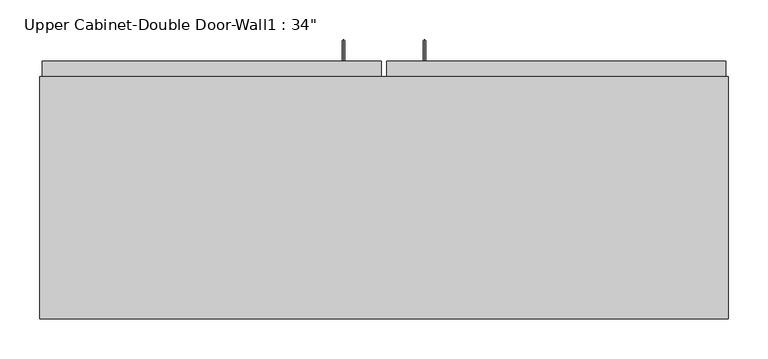
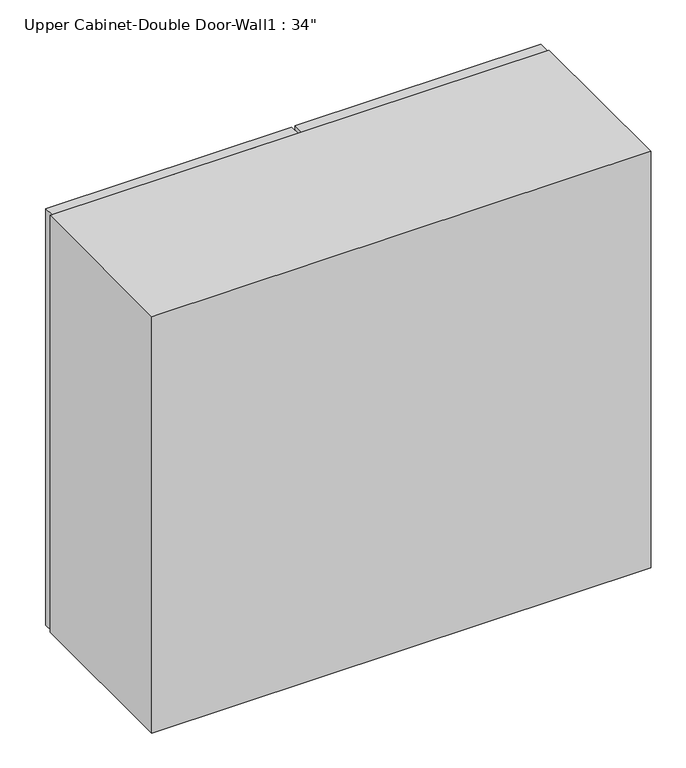
"""IFC4 building model written with IfcOpenShell, lengths in millimetres: furniture geometry."""

from ifc_helpers import new_model, si_unit, frame, origin, place, context, project, spatial, polyline, circle_curve, ellipse_curve, outline, extrude, faceted_brep, source, transform, mapped, element, save
from ifc_brep_helpers import plane_surface, cylinder_surface, advanced_brep


def furniture_9f0e1e1c(model_context):
    return source(origin(), model_context, "Body", "SolidModel", [
        advanced_brep(
        [(80.5132081, 385.7625, 1425.575), (80.5132081, 385.7625, 1422.4), (80.5132081, 409.575, 1425.575), (80.5132081, 412.75, 1422.4), (80.5132081, 409.575, 1597.025), (80.5132081, 412.75, 1600.2), (80.5132081, 385.7625, 1597.025), (80.5132081, 385.7625, 1600.2)],
        [
            (0, 1, circle_curve(frame((80.5132081, 385.7625, 1423.9875), z_axis=(0.0, -1.0, 0.0), x_axis=(0.0, 0.0, -1.0)), 1.5875)),
            (1, 0, circle_curve(frame((80.5132081, 385.7625, 1423.9875), z_axis=(0.0, -1.0, 0.0), x_axis=(0.0, 0.0, -1.0)), 1.5875)),
            (0, 2),
            (2, 3, ellipse_curve(frame((80.5132081, 411.1625, 1423.9875), z_axis=(0.0, -0.7071067811865536, -0.7071067811865416), x_axis=(0.0, -0.7071067811865415, 0.7071067811865536)), 2.245064, 1.5875)),
            (3, 1),
            (3, 2, ellipse_curve(frame((80.5132081, 411.1625, 1423.9875), z_axis=(0.0, -0.7071067811865536, -0.7071067811865416), x_axis=(0.0, -0.7071067811865415, 0.7071067811865536)), 2.245064, 1.5875)),
            (2, 4),
            (4, 5, ellipse_curve(frame((80.5132081, 411.1625, 1598.6125), z_axis=(0.0, 0.7071067811865415, -0.7071067811865535), x_axis=(0.0, -0.7071067811865533, -0.7071067811865418)), 2.245064, 1.5875)),
            (5, 3),
            (5, 4, ellipse_curve(frame((80.5132081, 411.1625, 1598.6125), z_axis=(0.0, 0.7071067811865415, -0.7071067811865535), x_axis=(0.0, -0.7071067811865533, -0.7071067811865418)), 2.245064, 1.5875)),
            (6, 7, circle_curve(frame((80.5132081, 385.7625, 1598.6125), z_axis=(0.0, -1.0, 0.0), x_axis=(0.0, 0.0, 1.0)), 1.5875)),
            (7, 6, circle_curve(frame((80.5132081, 385.7625, 1598.6125), z_axis=(0.0, -1.0, 0.0), x_axis=(0.0, 0.0, 1.0)), 1.5875)),
            (4, 6),
            (7, 5),
        ],
        [
            plane_surface(frame((80.5132081, 385.7625, 1423.9875), z_axis=(0.0, -1.0, 0.0), x_axis=(-1.0, 0.0, 0.0))),
            cylinder_surface(frame((80.5132081, 385.7625, 1423.9875), z_axis=(0.0, -1.0, 0.0), x_axis=(0.0, 0.0, -1.0)), 1.5875),
            cylinder_surface(frame((80.5132081, 411.1625, 1423.9875), z_axis=(0.0, 0.0, -1.0), x_axis=(0.0, 1.0, 0.0)), 1.5875),
            plane_surface(frame((80.5132081, 385.7625, 1598.6125), z_axis=(0.0, -1.0, 0.0), x_axis=(-1.0, 0.0, 0.0))),
            cylinder_surface(frame((80.5132081, 411.1625, 1598.6125), z_axis=(0.0, 1.0, 0.0), x_axis=(0.0, 0.0, 1.0)), 1.5875),
        ],
        [
            (0, [[1, 2]]),
            (1, [[-1, 3, 4, 5]]),
            (1, [[-2, -5, 6, -3]]),
            (2, [[-4, 7, 8, 9]]),
            (2, [[-6, -9, 10, -7]]),
            (3, [[11, 12]]),
            (4, [[-8, 13, -12, 14]]),
            (4, [[-10, -14, -11, -13]]),
        ],
    ),
        advanced_brep(
        [(-21.0867919, 385.7625, 1425.575), (-21.0867919, 385.7625, 1422.4), (-21.0867919, 409.575, 1425.575), (-21.0867919, 412.75, 1422.4), (-21.0867919, 409.575, 1597.025), (-21.0867919, 412.75, 1600.2), (-21.0867919, 385.7625, 1597.025), (-21.0867919, 385.7625, 1600.2)],
        [
            (0, 1, circle_curve(frame((-21.0867919, 385.7625, 1423.9875), z_axis=(0.0, -1.0, 0.0), x_axis=(0.0, 0.0, -1.0)), 1.5875)),
            (1, 0, circle_curve(frame((-21.0867919, 385.7625, 1423.9875), z_axis=(0.0, -1.0, 0.0), x_axis=(0.0, 0.0, -1.0)), 1.5875)),
            (0, 2),
            (2, 3, ellipse_curve(frame((-21.0867919, 411.1625, 1423.9875), z_axis=(0.0, -0.7071067811865536, -0.7071067811865414), x_axis=(0.0, -0.7071067811865416, 0.7071067811865535)), 2.245064, 1.5875)),
            (3, 1),
            (3, 2, ellipse_curve(frame((-21.0867919, 411.1625, 1423.9875), z_axis=(0.0, -0.7071067811865536, -0.7071067811865414), x_axis=(0.0, -0.7071067811865416, 0.7071067811865535)), 2.245064, 1.5875)),
            (2, 4),
            (4, 5, ellipse_curve(frame((-21.0867919, 411.1625, 1598.6125), z_axis=(0.0, 0.7071067811865415, -0.7071067811865535), x_axis=(0.0, -0.7071067811865533, -0.7071067811865416)), 2.245064, 1.5875)),
            (5, 3),
            (5, 4, ellipse_curve(frame((-21.0867919, 411.1625, 1598.6125), z_axis=(0.0, 0.7071067811865415, -0.7071067811865535), x_axis=(0.0, -0.7071067811865533, -0.7071067811865416)), 2.245064, 1.5875)),
            (6, 7, circle_curve(frame((-21.0867919, 385.7625, 1598.6125), z_axis=(0.0, -1.0, 0.0), x_axis=(0.0, 0.0, 1.0)), 1.5875)),
            (7, 6, circle_curve(frame((-21.0867919, 385.7625, 1598.6125), z_axis=(0.0, -1.0, 0.0), x_axis=(0.0, 0.0, 1.0)), 1.5875)),
            (4, 6),
            (7, 5),
        ],
        [
            plane_surface(frame((-21.0867919, 385.7625, 1423.9875), z_axis=(0.0, -1.0, 0.0), x_axis=(-1.0, 0.0, 0.0))),
            cylinder_surface(frame((-21.0867919, 385.7625, 1423.9875), z_axis=(0.0, -1.0, 0.0), x_axis=(0.0, 0.0, -1.0)), 1.5875),
            cylinder_surface(frame((-21.0867919, 411.1625, 1423.9875), z_axis=(0.0, 0.0, -1.0), x_axis=(0.0, 1.0, 0.0)), 1.5875),
            plane_surface(frame((-21.0867919, 385.7625, 1598.6125), z_axis=(0.0, -1.0, 0.0), x_axis=(-1.0, 0.0, 0.0))),
            cylinder_surface(frame((-21.0867919, 411.1625, 1598.6125), z_axis=(0.0, 1.0, 0.0), x_axis=(0.0, 0.0, 1.0)), 1.5875),
        ],
        [
            (0, [[1, 2]]),
            (1, [[-1, 3, 4, 5]]),
            (1, [[-2, -5, 6, -3]]),
            (2, [[-4, 7, 8, 9]]),
            (2, [[-6, -9, 10, -7]]),
            (3, [[11, 12]]),
            (4, [[-8, 13, -12, 14]]),
            (4, [[-10, -14, -11, -13]]),
        ],
    ),
        faceted_brep([(-402.0288372, 61.9125, 2133.6), (-402.0288372, 61.9125, 1371.6), (461.5711628, 61.9125, 1371.6), (461.5711628, 61.9125, 2133.6), (-402.0288372, 366.7125, 2133.6), (461.5711628, 366.7125, 2133.6), (461.5711628, 366.7125, 1371.6), (-402.0288372, 366.7125, 1371.6), (442.5211628, 366.7125, 2114.55), (55.1711628, 366.7125, 2114.55), (55.1711628, 366.7125, 1390.65), (442.5211628, 366.7125, 1390.65), (-382.9788372, 366.7125, 2114.55), (-382.9788372, 366.7125, 1390.65), (4.3711628, 366.7125, 1390.65), (4.3711628, 366.7125, 2114.55), (-382.9788372, 80.9625, 2114.55), (4.3711628, 347.6625, 2114.55), (55.1711628, 347.6625, 2114.55), (442.5211628, 80.9625, 2114.55), (442.5211628, 80.9625, 1390.65), (55.1711628, 347.6625, 1390.65), (4.3711628, 347.6625, 1390.65), (-382.9788372, 80.9625, 1390.65)], [[[0, 1, 2, 3]], [[4, 5, 6, 7], [8, 9, 10, 11], [12, 13, 14, 15]], [[1, 0, 4, 7]], [[2, 1, 7, 6]], [[3, 2, 6, 5]], [[0, 3, 5, 4]], [[16, 12, 15, 17, 18, 9, 8, 19]], [[8, 11, 20, 19]], [[20, 11, 10, 21, 22, 14, 13, 23]], [[13, 12, 16, 23]], [[16, 19, 20, 23]], [[18, 21, 10, 9]], [[15, 14, 22, 17]], [[21, 18, 17, 22]]]),
        extrude(outline(polyline([(32.9461628, 385.7625), (458.3961628, 385.7625), (458.3961628, 366.7125), (32.9461628, 366.7125), (32.9461628, 385.7625)])), frame((0.0, 0.0, 1371.6), z_axis=(0.0, 0.0, 1.0), x_axis=(1.0, 0.0, 0.0)), (0.0, 0.0, 1.0), 762.0),
        extrude(outline(polyline([(-398.8538372, 385.7625), (26.5961628, 385.7625), (26.5961628, 366.7125), (-398.8538372, 366.7125), (-398.8538372, 385.7625)])), frame((0.0, 0.0, 1371.6), z_axis=(0.0, 0.0, 1.0), x_axis=(1.0, 0.0, 0.0)), (0.0, 0.0, 1.0), 762.0),
        extrude(outline(polyline([(442.5211628, 347.6625), (442.5211628, 80.9625), (-382.9788372, 80.9625), (-382.9788372, 347.6625), (442.5211628, 347.6625)])), frame((0.0, 0.0, 1951.0326388), z_axis=(0.0, 0.0, 1.0), x_axis=(1.0, 0.0, 0.0)), (0.0, 0.0, 1.0), 12.7),
        extrude(outline(polyline([(442.5211628, 347.6625), (442.5211628, 80.9625), (-382.9788372, 80.9625), (-382.9788372, 347.6625), (442.5211628, 347.6625)])), frame((0.0, 0.0, 1773.2326388), z_axis=(0.0, 0.0, 1.0), x_axis=(1.0, 0.0, 0.0)), (0.0, 0.0, 1.0), 12.7),
        extrude(outline(polyline([(442.5211628, 347.6625), (442.5211628, 80.9625), (-382.9788372, 80.9625), (-382.9788372, 347.6625), (442.5211628, 347.6625)])), frame((0.0, 0.0, 1595.4326388), z_axis=(0.0, 0.0, 1.0), x_axis=(1.0, 0.0, 0.0)), (0.0, 0.0, 1.0), 12.7),
    ])


if __name__ == "__main__":
    model = new_model("IFC4")
    model_context = context("Model", 3, world=origin())
    ifc_project = project(units=[si_unit("LENGTHUNIT", "METRE", prefix="MILLI")], contexts=[model_context])
    site = spatial("IfcSite", under=ifc_project)
    building = spatial("IfcBuilding", under=site)
    placement = place(None, origin())
    furniture_shape = furniture_9f0e1e1c(model_context)
    element("IfcFurniture", 1, ObjectType="Upper Cabinet-Double Door-Wall1 : 34\"", at=placement, inside=building, context=model_context, shape_type="MappedRepresentation", body=[
        mapped(furniture_shape, transform((0.0, 0.0, 0.0), x_axis=(1.0, 0.0, 0.0), y_axis=(0.0, 1.0, 0.0), z_axis=(0.0, 0.0, 1.0))),
    ])
    save(model, "model.ifc")
